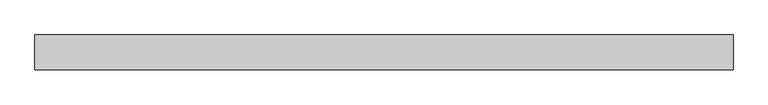
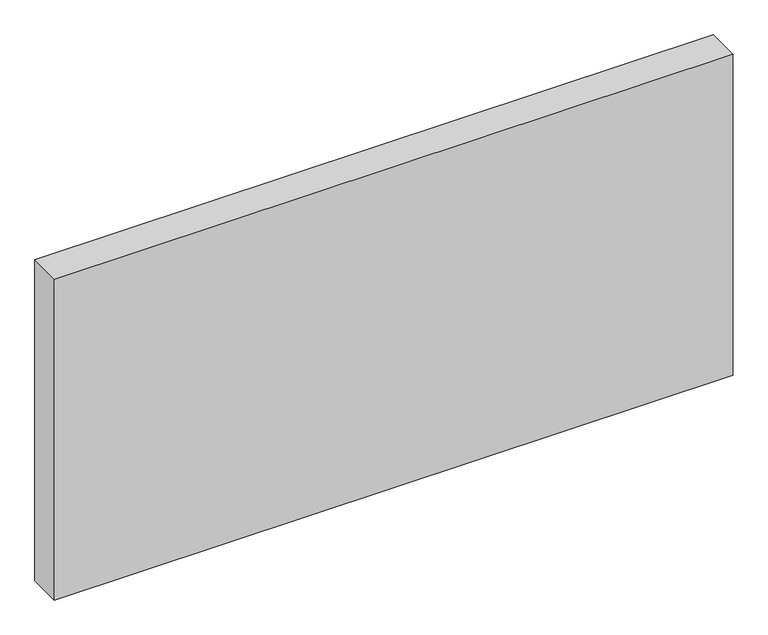
"""IFC4 building model written with IfcOpenShell, lengths in millimetres: proxy geometry."""

from ifc_helpers import new_model, si_unit, origin, origin_with_axes, place, context, project, spatial, polyline, outline, extrude, source, transform, mapped, element, save


def generic_models_efd1c56f(model_context):
    return source(origin(), model_context, "Body", "SweptSolid", [
        extrude(outline(polyline([(0.0, 300.0), (0.0, 0.0), (-6000.0, 0.0), (-6000.0, 300.0), (0.0, 300.0)])), origin_with_axes(), (0.0, 0.0, 1.0), 3000.0),
    ])


if __name__ == "__main__":
    model = new_model("IFC4")
    model_context = context("Model", 3, world=origin())
    ifc_project = project(units=[si_unit("LENGTHUNIT", "METRE", prefix="MILLI")], contexts=[model_context])
    site = spatial("IfcSite", under=ifc_project)
    building = spatial("IfcBuilding", under=site)
    placement = place(None, origin())
    generic_models_shape = generic_models_efd1c56f(model_context)
    element("IfcBuildingElementProxy", 1, Name="Generic Models", at=placement, inside=building, context=model_context, shape_type="MappedRepresentation", body=[
        mapped(generic_models_shape, transform((0.0, 0.0, 0.0), x_axis=(1.0, 0.0, 0.0), y_axis=(0.0, 1.0, 0.0), z_axis=(0.0, 0.0, 1.0))),
    ])
    save(model, "model.ifc")
